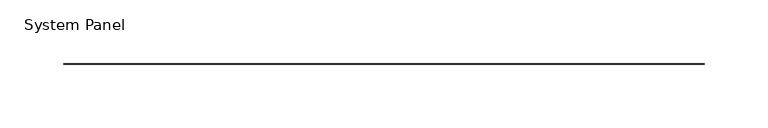
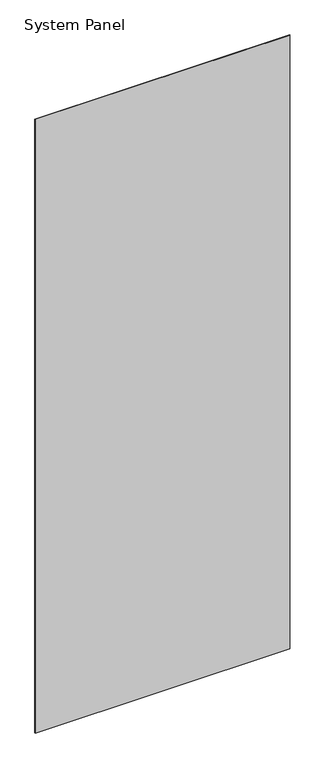
"""IFC4 building model written with IfcOpenShell, lengths in millimetres: plate geometry, System Panel."""

from ifc_helpers import new_model, si_unit, origin, origin_with_axes, place, context, project, spatial, polyline, outline, extrude, source, transform, mapped, element, save


def system_panel_8caa74b3(model_context):
    return source(origin(), model_context, "Body", "SweptSolid", [
        extrude(outline(polyline([(252.3490002, -0.2480469), (-252.3490002, -0.2480469), (-252.3490002, 0.2480469), (252.3490002, 0.2480469), (252.3490002, -0.2480469)])), origin_with_axes(), (0.0, 0.0, 1.0), 1285.875),
    ])


if __name__ == "__main__":
    model = new_model("IFC4")
    model_context = context("Model", 3, world=origin())
    ifc_project = project(units=[si_unit("LENGTHUNIT", "METRE", prefix="MILLI")], contexts=[model_context])
    site = spatial("IfcSite", under=ifc_project)
    building = spatial("IfcBuilding", under=site)
    placement = place(None, origin())
    system_panel_shape = system_panel_8caa74b3(model_context)
    element("IfcPlate", 1, ObjectType="System Panel", at=placement, inside=building, context=model_context, shape_type="MappedRepresentation", body=[
        mapped(system_panel_shape, transform((0.0, 0.0, 0.0), x_axis=(1.0, 0.0, 0.0), y_axis=(0.0, 1.0, 0.0), z_axis=(0.0, 0.0, 1.0))),
    ])
    save(model, "model.ifc")
